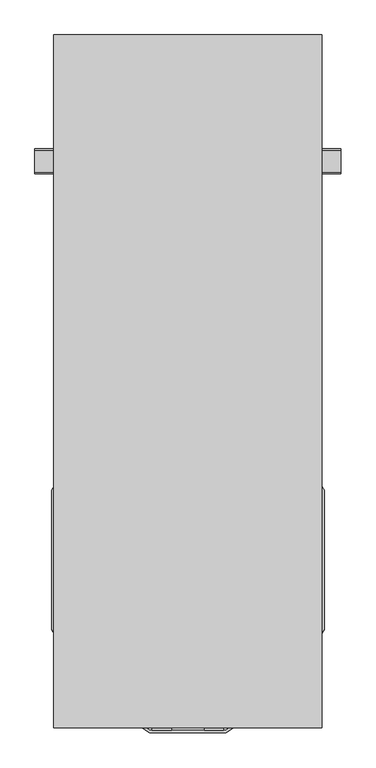
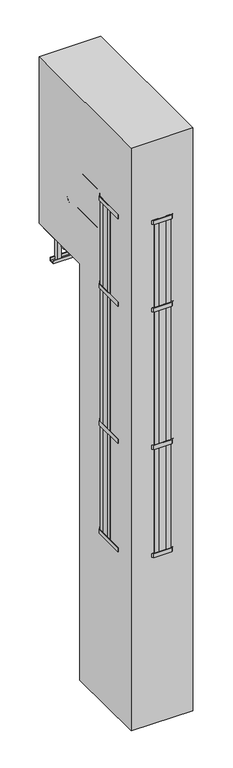
"""IFC4 building model written with IfcOpenShell, lengths in millimetres: proxy geometry."""

from ifc_helpers import new_model, si_unit, point, frame, frame_2d, origin, place, context, project, spatial, polyline, circle_curve, ellipse_curve, trimmed, segment, composite_curve, outline, extrude, faceted_brep, source, transform, mapped, element, save
from ifc_brep_helpers import plane_surface, cylinder_surface, revolved_surface, advanced_brep


def specialty_equipment_64eac437(model_context):
    return source(origin(), model_context, "Body", "SolidModel", [
        extrude(outline(polyline([(-350.5, -400.6413289), (-350.5, -350.6413289), (-338.5, -350.6413289), (-338.5, -400.6413289), (-350.5, -400.6413289)])), frame((0.0, 0.0, 2000.0), z_axis=(0.0, 0.0, 1.0), x_axis=(1.0, 0.0, 0.0)), (0.0, 0.0, 1.0), 4050.0),
        extrude(outline(polyline([(-350.5, -245.5), (-350.5, -195.5), (-338.5, -195.5), (-338.5, -245.5), (-350.5, -245.5)])), frame((0.0, 0.0, 2000.0), z_axis=(0.0, 0.0, 1.0), x_axis=(1.0, 0.0, 0.0)), (0.0, 0.0, 1.0), 4050.0),
        extrude(outline(polyline([(-100.0, -822.5), (-250.5, -722.5), (-356.5, -552.5), (-356.5, -188.7646621), (-306.0, -108.7646621), (-306.0, -5.5), (-300.0, -5.5), (-300.0, -110.5), (-350.5, -190.5), (-350.5, -550.7826578), (-246.0965631, -718.2221321), (-98.1883719, -816.5), (98.1883719, -816.5), (246.0965631, -718.2221321), (350.5, -550.7826578), (350.5, -190.5), (300.0, -110.5), (300.0, -5.5), (306.0, -5.5), (306.0, -108.7646621), (356.5, -188.7646621), (356.5, -552.5), (250.5, -722.5), (100.0, -822.5), (-100.0, -822.5)])), frame((0.0, 0.0, 3300.0), z_axis=(0.0, 0.0, 1.0), x_axis=(1.0, 0.0, 0.0)), (0.0, 0.0, 1.0), 50.0),
        extrude(outline(polyline([(-100.0, -822.5), (-250.5, -722.5), (-356.5, -552.5), (-356.5, -188.7646621), (-306.0, -108.7646621), (-306.0, -5.5), (-300.0, -5.5), (-300.0, -110.5), (-350.5, -190.5), (-350.5, -550.7826578), (-246.0965631, -718.2221321), (-98.1883719, -816.5), (98.1883719, -816.5), (246.0965631, -718.2221321), (350.5, -550.7826578), (350.5, -190.5), (300.0, -110.5), (300.0, -5.5), (306.0, -5.5), (306.0, -108.7646621), (356.5, -188.7646621), (356.5, -552.5), (250.5, -722.5), (100.0, -822.5), (-100.0, -822.5)])), frame((0.0, 0.0, 4950.0), z_axis=(0.0, 0.0, 1.0), x_axis=(1.0, 0.0, 0.0)), (0.0, 0.0, 1.0), 50.0),
        extrude(outline(polyline([(-100.0, -822.5), (-250.5, -722.5), (-356.5, -552.5), (-356.5, -188.7646621), (-306.0, -108.7646621), (-306.0, -5.5), (-300.0, -5.5), (-300.0, -110.5), (-350.5, -190.5), (-350.5, -550.7826578), (-246.0965631, -718.2221321), (-98.1883719, -816.5), (98.1883719, -816.5), (246.0965631, -718.2221321), (350.5, -550.7826578), (350.5, -190.5), (300.0, -110.5), (300.0, -5.5), (306.0, -5.5), (306.0, -108.7646621), (356.5, -188.7646621), (356.5, -552.5), (250.5, -722.5), (100.0, -822.5), (-100.0, -822.5)])), frame((0.0, 0.0, 2000.0), z_axis=(0.0, 0.0, 1.0), x_axis=(1.0, 0.0, 0.0)), (0.0, 0.0, 1.0), 50.0),
        extrude(outline(polyline([(-93.1883719, -816.5), (-93.1883719, -804.5), (-43.1883719, -804.5), (-43.1883719, -816.5), (-93.1883719, -816.5)])), frame((0.0, 0.0, 2000.0), z_axis=(0.0, 0.0, 1.0), x_axis=(1.0, 0.0, 0.0)), (0.0, 0.0, 1.0), 4050.0),
        extrude(outline(polyline([(-311.2167249, -591.1041694), (-321.399429, -597.4533849), (-347.8544935, -555.0254512), (-337.6717895, -548.6762357), (-311.2167249, -591.1041694)])), frame((0.0, 0.0, 2000.0), z_axis=(0.0, 0.0, 1.0), x_axis=(1.0, 0.0, 0.0)), (0.0, 0.0, 1.0), 4050.0),
        extrude(outline(polyline([(-200.2870228, -748.6603648), (-241.9320595, -720.9892441), (-235.2909905, -710.9944353), (-193.6459538, -738.665556), (-200.2870228, -748.6603648)])), frame((0.0, 0.0, 2000.0), z_axis=(0.0, 0.0, 1.0), x_axis=(1.0, 0.0, 0.0)), (0.0, 0.0, 1.0), 4050.0),
        extrude(outline(polyline([(93.1883719, -816.5), (43.1883719, -816.5), (43.1883719, -804.5), (93.1883719, -804.5), (93.1883719, -816.5)])), frame((0.0, 0.0, 2000.0), z_axis=(0.0, 0.0, 1.0), x_axis=(1.0, 0.0, 0.0)), (0.0, 0.0, 1.0), 4050.0),
        extrude(outline(polyline([(311.2167249, -591.1041694), (337.6717895, -548.6762357), (347.8544935, -555.0254512), (321.399429, -597.4533849), (311.2167249, -591.1041694)])), frame((0.0, 0.0, 2000.0), z_axis=(0.0, 0.0, 1.0), x_axis=(1.0, 0.0, 0.0)), (0.0, 0.0, 1.0), 4050.0),
        extrude(outline(polyline([(200.2870228, -748.6603648), (193.6459538, -738.665556), (235.2909905, -710.9944353), (241.9320595, -720.9892441), (200.2870228, -748.6603648)])), frame((0.0, 0.0, 2000.0), z_axis=(0.0, 0.0, 1.0), x_axis=(1.0, 0.0, 0.0)), (0.0, 0.0, 1.0), 4050.0),
        extrude(outline(polyline([(350.5, -400.6413289), (338.5, -400.6413289), (338.5, -350.6413289), (350.5, -350.6413289), (350.5, -400.6413289)])), frame((0.0, 0.0, 2000.0), z_axis=(0.0, 0.0, 1.0), x_axis=(1.0, 0.0, 0.0)), (0.0, 0.0, 1.0), 4050.0),
        extrude(outline(polyline([(350.5, -245.5), (338.5, -245.5), (338.5, -195.5), (350.5, -195.5), (350.5, -245.5)])), frame((0.0, 0.0, 2000.0), z_axis=(0.0, 0.0, 1.0), x_axis=(1.0, 0.0, 0.0)), (0.0, 0.0, 1.0), 4050.0),
        extrude(outline(polyline([(-100.0, -822.5), (-250.5, -722.5), (-356.5, -552.5), (-356.5, -188.7646621), (-306.0, -108.7646621), (-306.0, -5.5), (-300.0, -5.5), (-300.0, -110.5), (-350.5, -190.5), (-350.5, -550.7826578), (-246.0965631, -718.2221321), (-98.1883719, -816.5), (98.1883719, -816.5), (246.0965631, -718.2221321), (350.5, -550.7826578), (350.5, -190.5), (300.0, -110.5), (300.0, -5.5), (306.0, -5.5), (306.0, -108.7646621), (356.5, -188.7646621), (356.5, -552.5), (250.5, -722.5), (100.0, -822.5), (-100.0, -822.5)])), frame((0.0, 0.0, 6000.0), z_axis=(0.0, 0.0, 1.0), x_axis=(1.0, 0.0, 0.0)), (0.0, 0.0, 1.0), 50.0),
        extrude(outline(composite_curve([segment(polyline([(-53.0, 4684.8823529), (-53.0, 4701.8823529)]), True, "CONTINUOUS"), segment(trimmed(circle_curve(frame_2d((-30.5, 4688.9111991)), 25.9711538), [point((-53.0, 4701.8823529))], [point((-8.0, 4701.8823529))], False, "CARTESIAN"), True, "CONTINUOUS"), segment(polyline([(-8.0, 4701.8823529), (-8.0, 4684.8823529), (-53.0, 4684.8823529)]), True, "CONTINUOUS")], self_intersect=False)), frame((-262.0, 0.0, 0.0), z_axis=(1.0, 0.0, 0.0), x_axis=(0.0, 1.0, 0.0)), (0.0, 0.0, 1.0), 524.0),
        extrude(outline(composite_curve([segment(polyline([(-53.0, 4399.7647059), (-53.0, 4416.7647059)]), True, "CONTINUOUS"), segment(trimmed(circle_curve(frame_2d((-30.5, 4403.793552)), 25.9711538), [point((-53.0, 4416.7647059))], [point((-8.0, 4416.7647059))], False, "CARTESIAN"), True, "CONTINUOUS"), segment(polyline([(-8.0, 4416.7647059), (-8.0, 4399.7647059), (-53.0, 4399.7647059)]), True, "CONTINUOUS")], self_intersect=False)), frame((-262.0, 0.0, 0.0), z_axis=(1.0, 0.0, 0.0), x_axis=(0.0, 1.0, 0.0)), (0.0, 0.0, 1.0), 524.0),
        extrude(outline(composite_curve([segment(polyline([(-53.0, 4114.6470588), (-53.0, 4131.6470588)]), True, "CONTINUOUS"), segment(trimmed(circle_curve(frame_2d((-30.5, 4118.675905)), 25.9711538), [point((-53.0, 4131.6470588))], [point((-8.0, 4131.6470588))], False, "CARTESIAN"), True, "CONTINUOUS"), segment(polyline([(-8.0, 4131.6470588), (-8.0, 4114.6470588), (-53.0, 4114.6470588)]), True, "CONTINUOUS")], self_intersect=False)), frame((-262.0, 0.0, 0.0), z_axis=(1.0, 0.0, 0.0), x_axis=(0.0, 1.0, 0.0)), (0.0, 0.0, 1.0), 524.0),
        extrude(outline(composite_curve([segment(polyline([(-53.0, 3829.5294118), (-53.0, 3846.5294118)]), True, "CONTINUOUS"), segment(trimmed(circle_curve(frame_2d((-30.5, 3833.5582579)), 25.9711538), [point((-53.0, 3846.5294118))], [point((-8.0, 3846.5294118))], False, "CARTESIAN"), True, "CONTINUOUS"), segment(polyline([(-8.0, 3846.5294118), (-8.0, 3829.5294118), (-53.0, 3829.5294118)]), True, "CONTINUOUS")], self_intersect=False)), frame((-262.0, 0.0, 0.0), z_axis=(1.0, 0.0, 0.0), x_axis=(0.0, 1.0, 0.0)), (0.0, 0.0, 1.0), 524.0),
        extrude(outline(composite_curve([segment(polyline([(-53.0, 3544.4117647), (-53.0, 3561.4117647)]), True, "CONTINUOUS"), segment(trimmed(circle_curve(frame_2d((-30.5, 3548.4406109)), 25.9711538), [point((-53.0, 3561.4117647))], [point((-8.0, 3561.4117647))], False, "CARTESIAN"), True, "CONTINUOUS"), segment(polyline([(-8.0, 3561.4117647), (-8.0, 3544.4117647), (-53.0, 3544.4117647)]), True, "CONTINUOUS")], self_intersect=False)), frame((-262.0, 0.0, 0.0), z_axis=(1.0, 0.0, 0.0), x_axis=(0.0, 1.0, 0.0)), (0.0, 0.0, 1.0), 524.0),
        extrude(outline(composite_curve([segment(polyline([(-53.0, 3259.2941176), (-53.0, 3276.2941176)]), True, "CONTINUOUS"), segment(trimmed(circle_curve(frame_2d((-30.5, 3263.3229638)), 25.9711538), [point((-53.0, 3276.2941176))], [point((-8.0, 3276.2941176))], False, "CARTESIAN"), True, "CONTINUOUS"), segment(polyline([(-8.0, 3276.2941176), (-8.0, 3259.2941176), (-53.0, 3259.2941176)]), True, "CONTINUOUS")], self_intersect=False)), frame((-262.0, 0.0, 0.0), z_axis=(1.0, 0.0, 0.0), x_axis=(0.0, 1.0, 0.0)), (0.0, 0.0, 1.0), 524.0),
        extrude(outline(composite_curve([segment(polyline([(-53.0, 2974.1764706), (-53.0, 2991.1764706)]), True, "CONTINUOUS"), segment(trimmed(circle_curve(frame_2d((-30.5, 2978.2053167)), 25.9711538), [point((-53.0, 2991.1764706))], [point((-8.0, 2991.1764706))], False, "CARTESIAN"), True, "CONTINUOUS"), segment(polyline([(-8.0, 2991.1764706), (-8.0, 2974.1764706), (-53.0, 2974.1764706)]), True, "CONTINUOUS")], self_intersect=False)), frame((-262.0, 0.0, 0.0), z_axis=(1.0, 0.0, 0.0), x_axis=(0.0, 1.0, 0.0)), (0.0, 0.0, 1.0), 524.0),
        extrude(outline(composite_curve([segment(polyline([(-53.0, 2689.0588235), (-53.0, 2706.0588235)]), True, "CONTINUOUS"), segment(trimmed(circle_curve(frame_2d((-30.5, 2693.0876697)), 25.9711538), [point((-53.0, 2706.0588235))], [point((-8.0, 2706.0588235))], False, "CARTESIAN"), True, "CONTINUOUS"), segment(polyline([(-8.0, 2706.0588235), (-8.0, 2689.0588235), (-53.0, 2689.0588235)]), True, "CONTINUOUS")], self_intersect=False)), frame((-262.0, 0.0, 0.0), z_axis=(1.0, 0.0, 0.0), x_axis=(0.0, 1.0, 0.0)), (0.0, 0.0, 1.0), 524.0),
        extrude(outline(composite_curve([segment(polyline([(-53.0, 2403.9411765), (-53.0, 2420.9411765)]), True, "CONTINUOUS"), segment(trimmed(circle_curve(frame_2d((-30.5, 2407.9700226)), 25.9711538), [point((-53.0, 2420.9411765))], [point((-8.0, 2420.9411765))], False, "CARTESIAN"), True, "CONTINUOUS"), segment(polyline([(-8.0, 2420.9411765), (-8.0, 2403.9411765), (-53.0, 2403.9411765)]), True, "CONTINUOUS")], self_intersect=False)), frame((-262.0, 0.0, 0.0), z_axis=(1.0, 0.0, 0.0), x_axis=(0.0, 1.0, 0.0)), (0.0, 0.0, 1.0), 524.0),
        extrude(outline(composite_curve([segment(polyline([(-53.0, 2118.8235294), (-53.0, 2135.8235294)]), True, "CONTINUOUS"), segment(trimmed(circle_curve(frame_2d((-30.5, 2122.8523756)), 25.9711538), [point((-53.0, 2135.8235294))], [point((-8.0, 2135.8235294))], False, "CARTESIAN"), True, "CONTINUOUS"), segment(polyline([(-8.0, 2135.8235294), (-8.0, 2118.8235294), (-53.0, 2118.8235294)]), True, "CONTINUOUS")], self_intersect=False)), frame((-262.0, 0.0, 0.0), z_axis=(1.0, 0.0, 0.0), x_axis=(0.0, 1.0, 0.0)), (0.0, 0.0, 1.0), 524.0),
        extrude(outline(composite_curve([segment(polyline([(-53.0, 1833.7058824), (-53.0, 1850.7058824)]), True, "CONTINUOUS"), segment(trimmed(circle_curve(frame_2d((-30.5, 1837.7347285)), 25.9711538), [point((-53.0, 1850.7058824))], [point((-8.0, 1850.7058824))], False, "CARTESIAN"), True, "CONTINUOUS"), segment(polyline([(-8.0, 1850.7058824), (-8.0, 1833.7058824), (-53.0, 1833.7058824)]), True, "CONTINUOUS")], self_intersect=False)), frame((-262.0, 0.0, 0.0), z_axis=(1.0, 0.0, 0.0), x_axis=(0.0, 1.0, 0.0)), (0.0, 0.0, 1.0), 524.0),
        extrude(outline(composite_curve([segment(polyline([(-53.0, 1548.5882353), (-53.0, 1565.5882353)]), True, "CONTINUOUS"), segment(trimmed(circle_curve(frame_2d((-30.5, 1552.6170814)), 25.9711538), [point((-53.0, 1565.5882353))], [point((-8.0, 1565.5882353))], False, "CARTESIAN"), True, "CONTINUOUS"), segment(polyline([(-8.0, 1565.5882353), (-8.0, 1548.5882353), (-53.0, 1548.5882353)]), True, "CONTINUOUS")], self_intersect=False)), frame((-262.0, 0.0, 0.0), z_axis=(1.0, 0.0, 0.0), x_axis=(0.0, 1.0, 0.0)), (0.0, 0.0, 1.0), 524.0),
        extrude(outline(composite_curve([segment(polyline([(-53.0, 1263.4705882), (-53.0, 1280.4705882)]), True, "CONTINUOUS"), segment(trimmed(circle_curve(frame_2d((-30.5, 1267.4994344)), 25.9711538), [point((-53.0, 1280.4705882))], [point((-8.0, 1280.4705882))], False, "CARTESIAN"), True, "CONTINUOUS"), segment(polyline([(-8.0, 1280.4705882), (-8.0, 1263.4705882), (-53.0, 1263.4705882)]), True, "CONTINUOUS")], self_intersect=False)), frame((-262.0, 0.0, 0.0), z_axis=(1.0, 0.0, 0.0), x_axis=(0.0, 1.0, 0.0)), (0.0, 0.0, 1.0), 524.0),
        extrude(outline(composite_curve([segment(polyline([(-53.0, 978.3529412), (-53.0, 995.3529412)]), True, "CONTINUOUS"), segment(trimmed(circle_curve(frame_2d((-30.5, 982.3817873)), 25.9711538), [point((-53.0, 995.3529412))], [point((-8.0, 995.3529412))], False, "CARTESIAN"), True, "CONTINUOUS"), segment(polyline([(-8.0, 995.3529412), (-8.0, 978.3529412), (-53.0, 978.3529412)]), True, "CONTINUOUS")], self_intersect=False)), frame((-262.0, 0.0, 0.0), z_axis=(1.0, 0.0, 0.0), x_axis=(0.0, 1.0, 0.0)), (0.0, 0.0, 1.0), 524.0),
        extrude(outline(composite_curve([segment(polyline([(-53.0, 693.2352941), (-53.0, 710.2352941)]), True, "CONTINUOUS"), segment(trimmed(circle_curve(frame_2d((-30.5, 697.2641403)), 25.9711538), [point((-53.0, 710.2352941))], [point((-8.0, 710.2352941))], False, "CARTESIAN"), True, "CONTINUOUS"), segment(polyline([(-8.0, 710.2352941), (-8.0, 693.2352941), (-53.0, 693.2352941)]), True, "CONTINUOUS")], self_intersect=False)), frame((-262.0, 0.0, 0.0), z_axis=(1.0, 0.0, 0.0), x_axis=(0.0, 1.0, 0.0)), (0.0, 0.0, 1.0), 524.0),
        extrude(outline(composite_curve([segment(polyline([(-53.0, 408.1176471), (-53.0, 425.1176471)]), True, "CONTINUOUS"), segment(trimmed(circle_curve(frame_2d((-30.5, 412.1464932)), 25.9711538), [point((-53.0, 425.1176471))], [point((-8.0, 425.1176471))], False, "CARTESIAN"), True, "CONTINUOUS"), segment(polyline([(-8.0, 425.1176471), (-8.0, 408.1176471), (-53.0, 408.1176471)]), True, "CONTINUOUS")], self_intersect=False)), frame((-262.0, 0.0, 0.0), z_axis=(1.0, 0.0, 0.0), x_axis=(0.0, 1.0, 0.0)), (0.0, 0.0, 1.0), 524.0),
        extrude(outline(composite_curve([segment(polyline([(-53.0, 4970.0), (-53.0, 4987.0)]), True, "CONTINUOUS"), segment(trimmed(circle_curve(frame_2d((-30.5, 4974.0288462)), 25.9711538), [point((-53.0, 4987.0))], [point((-8.0, 4987.0))], False, "CARTESIAN"), True, "CONTINUOUS"), segment(polyline([(-8.0, 4987.0), (-8.0, 4970.0), (-53.0, 4970.0)]), True, "CONTINUOUS")], self_intersect=False)), frame((-262.0, 0.0, 0.0), z_axis=(1.0, 0.0, 0.0), x_axis=(0.0, 1.0, 0.0)), (0.0, 0.0, 1.0), 524.0),
        extrude(outline(composite_curve([segment(polyline([(-53.0, 123.0), (-53.0, 140.0)]), True, "CONTINUOUS"), segment(trimmed(circle_curve(frame_2d((-30.5, 127.0288462)), 25.9711538), [point((-53.0, 140.0))], [point((-8.0, 140.0))], False, "CARTESIAN"), True, "CONTINUOUS"), segment(polyline([(-8.0, 140.0), (-8.0, 123.0), (-53.0, 123.0)]), True, "CONTINUOUS")], self_intersect=False)), frame((-262.0, 0.0, 0.0), z_axis=(1.0, 0.0, 0.0), x_axis=(0.0, 1.0, 0.0)), (0.0, 0.0, 1.0), 524.0),
        extrude(outline(polyline([(300.0, -59.5), (262.0, -59.5), (262.0, -1.5), (300.0, -1.5), (300.0, -59.5)])), frame((0.0, 0.0, 3.0), z_axis=(0.0, 0.0, 1.0), x_axis=(1.0, 0.0, 0.0)), (0.0, 0.0, 1.0), 6047.0),
        extrude(outline(polyline([(-262.0, -59.5), (-300.0, -59.5), (-300.0, -1.5), (-262.0, -1.5), (-262.0, -59.5)])), frame((0.0, 0.0, 3.0), z_axis=(0.0, 0.0, 1.0), x_axis=(1.0, 0.0, 0.0)), (0.0, 0.0, 1.0), 6047.0),
        faceted_brep([(-303.5, -250.5, 0.0), (-250.5, -250.5, 0.0), (-250.5, -250.5, 3.0), (-300.5, -250.5, 3.0), (-303.5, -250.5, 3.0), (-300.5, 109.5, 3.0), (-250.5, 109.5, 3.0), (-250.5, 109.5, 0.0), (-303.5, 109.5, 0.0), (-303.5, 109.5, 3.0), (-300.5, -203.5, 50.0), (-300.5, 62.5, 50.0), (-303.5, 62.5, 50.0), (-303.5, -203.5, 50.0)], [[[0, 1, 2, 3, 4]], [[5, 6, 7, 8, 9]], [[10, 11, 12, 13]], [[8, 0, 4, 13, 12, 9]], [[1, 0, 8, 7]], [[2, 1, 7, 6]], [[3, 2, 6, 5]], [[3, 5, 11, 10]], [[5, 9, 12, 11]], [[4, 3, 10, 13]]]),
        faceted_brep([(300.5, -250.5, 3.0), (250.5, -250.5, 3.0), (250.5, -250.5, 0.0), (303.5, -250.5, 0.0), (303.5, -250.5, 3.0), (303.5, 109.5, 0.0), (250.5, 109.5, 0.0), (250.5, 109.5, 3.0), (300.5, 109.5, 3.0), (303.5, 109.5, 3.0), (303.5, 62.5, 50.0), (303.5, -203.5, 50.0), (300.5, 62.5, 50.0), (300.5, -203.5, 50.0)], [[[0, 1, 2, 3, 4]], [[5, 6, 7, 8, 9]], [[1, 0, 8, 7]], [[2, 1, 7, 6]], [[3, 2, 6, 5]], [[3, 5, 9, 10, 11, 4]], [[11, 10, 12, 13]], [[8, 0, 13, 12]], [[9, 8, 12, 10]], [[0, 4, 11, 13]]]),
        extrude(outline(polyline([(300.0, 1000.0), (300.0, 0.0), (-300.0, 0.0), (-300.0, 1000.0), (300.0, 1000.0)]), holes=[polyline([(262.0, 962.0), (-262.0, 962.0), (-262.0, 38.0), (262.0, 38.0), (262.0, 962.0)])]), frame((0.0, 0.0, 4924.2375855), z_axis=(0.0, 0.0, 1.0), x_axis=(1.0, 0.0, 0.0)), (0.0, 0.0, 1.0), 57.2624145),
        extrude(outline(polyline([(702.5, 4788.0), (702.5, 4750.0), (637.5, 4750.0), (637.5, 4788.0), (640.5, 4788.0), (640.5, 4753.0), (699.5, 4753.0), (699.5, 4788.0), (702.5, 4788.0)])), frame((-400.0, 0.0, 0.0), z_axis=(1.0, 0.0, 0.0), x_axis=(0.0, 1.0, 0.0)), (0.0, 0.0, 1.0), 800.0),
        extrude(outline(polyline([(347.5, 699.0), (347.5, 641.0), (309.5, 641.0), (309.5, 699.0), (347.5, 699.0)])), frame((0.0, 0.0, 4753.0), z_axis=(0.0, 0.0, 1.0), x_axis=(1.0, 0.0, 0.0)), (0.0, 0.0, 1.0), 247.0),
        extrude(outline(polyline([(347.5, 699.0), (347.5, 641.0), (309.5, 641.0), (309.5, 699.0), (347.5, 699.0)])), frame((0.0, 0.0, 4753.0), z_axis=(0.0, 0.0, 1.0), x_axis=(1.0, 0.0, 0.0)), (0.0, 0.0, 1.0), 247.0),
        extrude(outline(polyline([(-309.5, 699.0), (-309.5, 641.0), (-347.5, 641.0), (-347.5, 699.0), (-309.5, 699.0)])), frame((0.0, 0.0, 4753.0), z_axis=(0.0, 0.0, 1.0), x_axis=(1.0, 0.0, 0.0)), (0.0, 0.0, 1.0), 247.0),
        extrude(outline(polyline([(-309.5, 699.0), (-309.5, 641.0), (-347.5, 641.0), (-347.5, 699.0), (-309.5, 699.0)])), frame((0.0, 0.0, 4753.0), z_axis=(0.0, 0.0, 1.0), x_axis=(1.0, 0.0, 0.0)), (0.0, 0.0, 1.0), 247.0),
        extrude(outline(polyline([(300.0, 1000.0), (300.0, 0.0), (-300.0, 0.0), (-300.0, 1000.0), (300.0, 1000.0)])), frame((0.0, 0.0, 4981.5), z_axis=(0.0, 0.0, 1.0), x_axis=(1.0, 0.0, 0.0)), (0.0, 0.0, 1.0), 18.5),
        extrude(outline(polyline([(0.0, -75.0156698), (0.0, 0.0), (6.0, 0.0), (6.0, -75.0156698), (0.0, -75.0156698)])), frame((300.0, 61.9987697, 4924.2375855), z_axis=(0.0, -0.22820939732088083, 0.9736120741724809), x_axis=(1.0, 0.0, 0.0)), (0.0, 0.0, 1.0), 56.5477611),
        extrude(outline(polyline([(0.0, -75.0156698), (0.0, 0.0), (6.0, 0.0), (6.0, -75.0156698), (0.0, -75.0156698)])), frame((-300.0, -11.0373922, 4907.1183047), z_axis=(0.0, -0.22820939732088125, 0.9736120741724809), x_axis=(-1.0, 0.0, 0.0)), (0.0, 0.0, 1.0), 56.5477611),
        extrude(outline(polyline([(300.0, 590.0), (300.0, 750.0), (309.5, 750.0), (309.5, 590.0), (300.0, 590.0)])), frame((0.0, 0.0, 4920.0), z_axis=(0.0, 0.0, 1.0), x_axis=(1.0, 0.0, 0.0)), (0.0, 0.0, 1.0), 80.0),
        extrude(outline(polyline([(300.0, 590.0), (300.0, 750.0), (309.5, 750.0), (309.5, 590.0), (300.0, 590.0)])), frame((0.0, 0.0, 4920.0), z_axis=(0.0, 0.0, 1.0), x_axis=(1.0, 0.0, 0.0)), (0.0, 0.0, 1.0), 80.0),
        extrude(outline(polyline([(-300.0, 750.0), (-300.0, 590.0), (-309.5, 590.0), (-309.5, 750.0), (-300.0, 750.0)])), frame((0.0, 0.0, 4920.0), z_axis=(0.0, 0.0, 1.0), x_axis=(1.0, 0.0, 0.0)), (0.0, 0.0, 1.0), 80.0),
        extrude(outline(polyline([(-300.0, 750.0), (-300.0, 590.0), (-309.5, 590.0), (-309.5, 750.0), (-300.0, 750.0)])), frame((0.0, 0.0, 4920.0), z_axis=(0.0, 0.0, 1.0), x_axis=(1.0, 0.0, 0.0)), (0.0, 0.0, 1.0), 80.0),
        extrude(outline(polyline([(262.0, 540.5), (262.0, 502.5), (-262.0, 502.5), (-262.0, 540.5), (262.0, 540.5)])), frame((0.0, 0.0, 4923.5), z_axis=(0.0, 0.0, 1.0), x_axis=(1.0, 0.0, 0.0)), (0.0, 0.0, 1.0), 58.0),
        extrude(outline(polyline([(200.0, 5000.0), (200.0, 0.0), (-809.5, 0.0), (-809.5, 7000.0), (1000.0, 7000.0), (1000.0, 5000.0), (200.0, 5000.0)])), frame((-350.5, 0.0, 0.0), z_axis=(1.0, 0.0, 0.0), x_axis=(0.0, 1.0, 0.0)), (0.0, 0.0, 1.0), 701.0),
        extrude(outline(polyline([(306.5, 200.0), (306.5, -30.5), (300.5, -30.5), (300.5, 195.0), (-300.5, 195.0), (-300.5, -30.5), (-306.5, -30.5), (-306.5, 200.0), (306.5, 200.0)])), frame((0.0, 0.0, 2460.0), z_axis=(0.0, 0.0, 1.0), x_axis=(1.0, 0.0, 0.0)), (0.0, 0.0, 1.0), 80.0),
        extrude(outline(polyline([(306.5, 200.0), (306.5, -30.5), (300.5, -30.5), (300.5, 195.0), (-300.5, 195.0), (-300.5, -30.5), (-306.5, -30.5), (-306.5, 200.0), (306.5, 200.0)])), frame((0.0, 0.0, 4360.0), z_axis=(0.0, 0.0, 1.0), x_axis=(1.0, 0.0, 0.0)), (0.0, 0.0, 1.0), 80.0),
        advanced_brep(
        [(281.5, 0.0, 5962.0), (281.5, 0.0, 6000.0), (281.5, 427.0, 5962.0), (281.5, 427.0, 6000.0), (281.5, 571.0, 5856.0), (281.5, 533.0, 5856.0), (281.5, 533.0, 5644.0), (281.5, 571.0, 5644.0), (281.5, 427.0, 5500.0), (281.5, 427.0, 5538.0), (281.5, 0.0, 5538.0), (281.5, 0.0, 5500.0)],
        [
            (0, 1, circle_curve(frame((281.5, 0.0, 5981.0), z_axis=(0.0, -1.0, 0.0), x_axis=(0.0, 0.0, 1.0)), 19.0)),
            (1, 0, circle_curve(frame((281.5, 0.0, 5981.0), z_axis=(0.0, -1.0, 0.0), x_axis=(0.0, 0.0, 1.0)), 19.0)),
            (0, 2),
            (2, 3, circle_curve(frame((281.5, 427.0, 5981.0), z_axis=(0.0, -1.0, 0.0), x_axis=(0.0, 0.0, 1.0)), 19.0)),
            (3, 1),
            (3, 2, circle_curve(frame((281.5, 427.0, 5981.0), z_axis=(0.0, -1.0, 0.0), x_axis=(0.0, 0.0, 1.0)), 19.0)),
            (4, 3, circle_curve(frame((281.5, 427.0, 5856.0), z_axis=(1.0, 0.0, 0.0), x_axis=(0.0, 0.0, 1.0)), 144.0)),
            (2, 5, circle_curve(frame((281.5, 427.0, 5856.0), z_axis=(-1.0, 0.0, 0.0), x_axis=(0.0, 0.0, 1.0)), 106.0)),
            (5, 4, circle_curve(frame((281.5, 552.0, 5856.0), z_axis=(0.0, 0.0, 1.0), x_axis=(0.0, 1.0, 0.0)), 19.0)),
            (4, 5, circle_curve(frame((281.5, 552.0, 5856.0), z_axis=(0.0, 0.0, 1.0), x_axis=(0.0, 1.0, 0.0)), 19.0)),
            (5, 6),
            (6, 7, circle_curve(frame((281.5, 552.0, 5644.0), z_axis=(0.0, 0.0, 1.0), x_axis=(0.0, 1.0, 0.0)), 19.0)),
            (7, 4),
            (7, 6, circle_curve(frame((281.5, 552.0, 5644.0), z_axis=(0.0, 0.0, 1.0), x_axis=(0.0, 1.0, 0.0)), 19.0)),
            (8, 7, circle_curve(frame((281.5, 427.0, 5644.0), z_axis=(1.0, 0.0, 0.0), x_axis=(0.0, 1.0, 0.0)), 144.0)),
            (6, 9, circle_curve(frame((281.5, 427.0, 5644.0), z_axis=(-1.0, 0.0, 0.0), x_axis=(0.0, 1.0, 0.0)), 106.0)),
            (9, 8, circle_curve(frame((281.5, 427.0, 5519.0), z_axis=(0.0, 1.0, 0.0), x_axis=(0.0, 0.0, -1.0)), 19.0)),
            (8, 9, circle_curve(frame((281.5, 427.0, 5519.0), z_axis=(0.0, 1.0, 0.0), x_axis=(0.0, 0.0, -1.0)), 19.0)),
            (10, 11, circle_curve(frame((281.5, 0.0, 5519.0), z_axis=(0.0, -1.0, 0.0), x_axis=(0.0, 0.0, -1.0)), 19.0)),
            (11, 10, circle_curve(frame((281.5, 0.0, 5519.0), z_axis=(0.0, -1.0, 0.0), x_axis=(0.0, 0.0, -1.0)), 19.0)),
            (9, 10),
            (11, 8),
        ],
        [
            plane_surface(frame((281.5, 0.0, 5981.0), z_axis=(0.0, -1.0, 0.0), x_axis=(1.0, 0.0, 0.0))),
            cylinder_surface(frame((281.5, 0.0, 5981.0), z_axis=(0.0, -1.0, 0.0), x_axis=(0.0, 0.0, 1.0)), 19.0),
            revolved_surface(trimmed(ellipse_curve(frame((281.5, 427.0, 5981.0), z_axis=(0.0, -1.0, 0.0), x_axis=(0.0, 0.0, 1.0)), 19.0, 19.0), [point((281.5, 427.0, 5962.0))], [point((281.5, 427.0, 6000.0))], True, "CARTESIAN"), (281.5, 427.0, 5856.0), (-1.0, 0.0, 0.0)),
            revolved_surface(trimmed(ellipse_curve(frame((281.5, 427.0, 5981.0), z_axis=(0.0, -1.0, 0.0), x_axis=(0.0, 0.0, 1.0)), 19.0, 19.0), [point((281.5, 427.0, 6000.0))], [point((281.5, 427.0, 5962.0))], True, "CARTESIAN"), (281.5, 427.0, 5856.0), (-1.0, 0.0, 0.0)),
            cylinder_surface(frame((281.5, 552.0, 5856.0), z_axis=(0.0, 0.0, 1.0), x_axis=(0.0, 1.0, 0.0)), 19.0),
            revolved_surface(trimmed(ellipse_curve(frame((281.5, 552.0, 5644.0), z_axis=(0.0, 0.0, 1.0), x_axis=(0.0, 1.0, 0.0)), 19.0, 19.0), [point((281.5, 533.0, 5644.0))], [point((281.5, 571.0, 5644.0))], True, "CARTESIAN"), (281.5, 427.0, 5644.0), (-1.0, 0.0, 0.0)),
            revolved_surface(trimmed(ellipse_curve(frame((281.5, 552.0, 5644.0), z_axis=(0.0, 0.0, 1.0), x_axis=(0.0, 1.0, 0.0)), 19.0, 19.0), [point((281.5, 571.0, 5644.0))], [point((281.5, 533.0, 5644.0))], True, "CARTESIAN"), (281.5, 427.0, 5644.0), (-1.0, 0.0, 0.0)),
            plane_surface(frame((281.5, 0.0, 5519.0), z_axis=(0.0, -1.0, 0.0), x_axis=(1.0, 0.0, 0.0))),
            cylinder_surface(frame((281.5, 427.0, 5519.0), z_axis=(0.0, 1.0, 0.0), x_axis=(0.0, 0.0, -1.0)), 19.0),
        ],
        [
            (0, [[1, 2]]),
            (1, [[-1, 3, 4, 5]]),
            (1, [[-2, -5, 6, -3]]),
            (2, [[7, -4, 8, 9]]),
            (3, [[-8, -6, -7, 10]]),
            (4, [[-9, 11, 12, 13]]),
            (4, [[-10, -13, 14, -11]]),
            (5, [[15, -12, 16, 17]]),
            (6, [[-16, -14, -15, 18]]),
            (7, [[19, 20]]),
            (8, [[-17, 21, -20, 22]]),
            (8, [[-18, -22, -19, -21]]),
        ],
    ),
        advanced_brep(
        [(-281.5, 0.0, 6000.0), (-281.5, 0.0, 5962.0), (-281.5, 427.0, 6000.0), (-281.5, 427.0, 5962.0), (-281.5, 533.0, 5856.0), (-281.5, 571.0, 5856.0), (-281.5, 571.0, 5644.0), (-281.5, 533.0, 5644.0), (-281.5, 427.0, 5538.0), (-281.5, 427.0, 5500.0), (-281.5, 0.0, 5500.0), (-281.5, 0.0, 5538.0)],
        [
            (0, 1, circle_curve(frame((-281.5, 0.0, 5981.0), z_axis=(0.0, -1.0, 0.0), x_axis=(0.0, 0.0, -1.0)), 19.0)),
            (1, 0, circle_curve(frame((-281.5, 0.0, 5981.0), z_axis=(0.0, -1.0, 0.0), x_axis=(0.0, 0.0, -1.0)), 19.0)),
            (0, 2),
            (2, 3, circle_curve(frame((-281.5, 427.0, 5981.0), z_axis=(0.0, -1.0, 0.0), x_axis=(0.0, 0.0, -1.0)), 19.0)),
            (3, 1),
            (3, 2, circle_curve(frame((-281.5, 427.0, 5981.0), z_axis=(0.0, -1.0, 0.0), x_axis=(0.0, 0.0, -1.0)), 19.0)),
            (4, 3, circle_curve(frame((-281.5, 427.0, 5856.0), z_axis=(1.0, 0.0, 0.0), x_axis=(0.0, 0.0, 1.0)), 106.0)),
            (2, 5, circle_curve(frame((-281.5, 427.0, 5856.0), z_axis=(-1.0, 0.0, 0.0), x_axis=(0.0, 0.0, 1.0)), 144.0)),
            (5, 4, circle_curve(frame((-281.5, 552.0, 5856.0), z_axis=(0.0, 0.0, 1.0), x_axis=(0.0, -1.0, 0.0)), 19.0)),
            (4, 5, circle_curve(frame((-281.5, 552.0, 5856.0), z_axis=(0.0, 0.0, 1.0), x_axis=(0.0, -1.0, 0.0)), 19.0)),
            (5, 6),
            (6, 7, circle_curve(frame((-281.5, 552.0, 5644.0), z_axis=(0.0, 0.0, 1.0), x_axis=(0.0, -1.0, 0.0)), 19.0)),
            (7, 4),
            (7, 6, circle_curve(frame((-281.5, 552.0, 5644.0), z_axis=(0.0, 0.0, 1.0), x_axis=(0.0, -1.0, 0.0)), 19.0)),
            (8, 7, circle_curve(frame((-281.5, 427.0, 5644.0), z_axis=(1.0, 0.0, 0.0), x_axis=(0.0, 1.0, 0.0)), 106.0)),
            (6, 9, circle_curve(frame((-281.5, 427.0, 5644.0), z_axis=(-1.0, 0.0, 0.0), x_axis=(0.0, 1.0, 0.0)), 144.0)),
            (9, 8, circle_curve(frame((-281.5, 427.0, 5519.0), z_axis=(0.0, 1.0, 0.0), x_axis=(0.0, 0.0, 1.0)), 19.0)),
            (8, 9, circle_curve(frame((-281.5, 427.0, 5519.0), z_axis=(0.0, 1.0, 0.0), x_axis=(0.0, 0.0, 1.0)), 19.0)),
            (10, 11, circle_curve(frame((-281.5, 0.0, 5519.0), z_axis=(0.0, -1.0, 0.0), x_axis=(0.0, 0.0, 1.0)), 19.0)),
            (11, 10, circle_curve(frame((-281.5, 0.0, 5519.0), z_axis=(0.0, -1.0, 0.0), x_axis=(0.0, 0.0, 1.0)), 19.0)),
            (9, 10),
            (11, 8),
        ],
        [
            plane_surface(frame((-281.5, 0.0, 5981.0), z_axis=(0.0, -1.0, 0.0), x_axis=(-1.0, 0.0, 0.0))),
            cylinder_surface(frame((-281.5, 0.0, 5981.0), z_axis=(0.0, -1.0, 0.0), x_axis=(0.0, 0.0, -1.0)), 19.0),
            revolved_surface(trimmed(ellipse_curve(frame((-281.5, 427.0, 5981.0), z_axis=(0.0, -1.0, 0.0), x_axis=(0.0, 0.0, -1.0)), 19.0, 19.0), [point((-281.5, 427.0, 6000.0))], [point((-281.5, 427.0, 5962.0))], True, "CARTESIAN"), (-281.5, 427.0, 5856.0), (-1.0, 0.0, 0.0)),
            revolved_surface(trimmed(ellipse_curve(frame((-281.5, 427.0, 5981.0), z_axis=(0.0, -1.0, 0.0), x_axis=(0.0, 0.0, -1.0)), 19.0, 19.0), [point((-281.5, 427.0, 5962.0))], [point((-281.5, 427.0, 6000.0))], True, "CARTESIAN"), (-281.5, 427.0, 5856.0), (-1.0, 0.0, 0.0)),
            cylinder_surface(frame((-281.5, 552.0, 5856.0), z_axis=(0.0, 0.0, 1.0), x_axis=(0.0, -1.0, 0.0)), 19.0),
            revolved_surface(trimmed(ellipse_curve(frame((-281.5, 552.0, 5644.0), z_axis=(0.0, 0.0, 1.0), x_axis=(0.0, -1.0, 0.0)), 19.0, 19.0), [point((-281.5, 571.0, 5644.0))], [point((-281.5, 533.0, 5644.0))], True, "CARTESIAN"), (-281.5, 427.0, 5644.0), (-1.0, 0.0, 0.0)),
            revolved_surface(trimmed(ellipse_curve(frame((-281.5, 552.0, 5644.0), z_axis=(0.0, 0.0, 1.0), x_axis=(0.0, -1.0, 0.0)), 19.0, 19.0), [point((-281.5, 533.0, 5644.0))], [point((-281.5, 571.0, 5644.0))], True, "CARTESIAN"), (-281.5, 427.0, 5644.0), (-1.0, 0.0, 0.0)),
            plane_surface(frame((-281.5, 0.0, 5519.0), z_axis=(0.0, -1.0, 0.0), x_axis=(-1.0, 0.0, 0.0))),
            cylinder_surface(frame((-281.5, 427.0, 5519.0), z_axis=(0.0, 1.0, 0.0), x_axis=(0.0, 0.0, 1.0)), 19.0),
        ],
        [
            (0, [[1, 2]]),
            (1, [[-1, 3, 4, 5]]),
            (1, [[-2, -5, 6, -3]]),
            (2, [[7, -4, 8, 9]]),
            (3, [[-8, -6, -7, 10]]),
            (4, [[-9, 11, 12, 13]]),
            (4, [[-10, -13, 14, -11]]),
            (5, [[15, -12, 16, 17]]),
            (6, [[-16, -14, -15, 18]]),
            (7, [[19, 20]]),
            (8, [[-17, 21, -20, 22]]),
            (8, [[-18, -22, -19, -21]]),
        ],
    ),
    ])


if __name__ == "__main__":
    model = new_model("IFC4")
    model_context = context("Model", 3, world=origin())
    ifc_project = project(units=[si_unit("LENGTHUNIT", "METRE", prefix="MILLI")], contexts=[model_context])
    site = spatial("IfcSite", under=ifc_project)
    building = spatial("IfcBuilding", under=site)
    placement = place(None, origin())
    specialty_equipment_shape = specialty_equipment_64eac437(model_context)
    element("IfcBuildingElementProxy", 1, Name="Specialty Equipment", at=placement, inside=building, context=model_context, shape_type="MappedRepresentation", body=[
        mapped(specialty_equipment_shape, transform((0.0, 0.0, 0.0), x_axis=(1.0, 0.0, 0.0), y_axis=(0.0, 1.0, 0.0), z_axis=(0.0, 0.0, 1.0))),
    ])
    save(model, "model.ifc")
